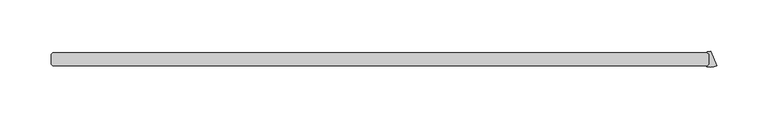
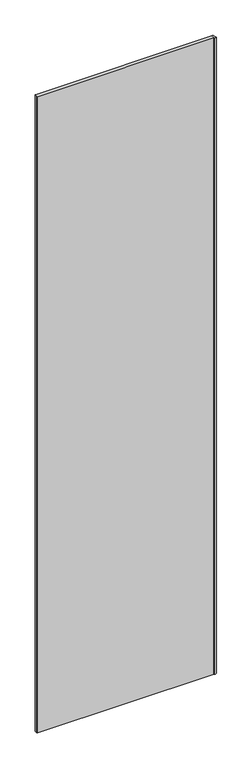
"""IFC4 building model written with IfcOpenShell, lengths in millimetres: plate geometry."""

from ifc_helpers import new_model, si_unit, point, frame_2d, origin, origin_with_axes, place, context, project, spatial, polyline, circle_curve, trimmed, segment, composite_curve, outline, extrude, source, transform, mapped, element, save


def plate_27e8cd1c(model_context):
    return source(origin(), model_context, "Body", "SweptSolid", [
        extrude(outline(composite_curve([segment(polyline([(324.8343416, -25.4), (323.1278746, -23.6935331)]), True, "CONTINUOUS"), segment(trimmed(circle_curve(frame_2d((323.4085076, -23.4129)), 0.396875), [point((323.1278746, -23.6935331))], [point((323.4004278, -23.0161073))], False, "CARTESIAN"), True, "CONTINUOUS"), segment(trimmed(circle_curve(frame_2d((323.2331067, -14.799085)), 8.2187257), [point((323.4004278, -23.0161073))], [point((326.3782769, -22.3921974))], True, "CARTESIAN"), True, "CONTINUOUS"), segment(polyline([(326.3782769, -22.3921974), (332.2252356, -36.5080045)]), True, "CONTINUOUS"), segment(trimmed(circle_curve(frame_2d((325.462995, -20.1825115)), 17.6705863), [point((332.2252356, -36.5080045))], [point((322.9799997, -37.6777781))], False, "CARTESIAN"), True, "CONTINUOUS"), segment(trimmed(circle_curve(frame_2d((323.0357669, -37.2848407)), 0.396875), [point((322.9799997, -37.6777781))], [point((322.7551339, -37.0042077))], False, "CARTESIAN"), True, "CONTINUOUS"), segment(polyline([(322.7551339, -37.0042077), (324.8343416, -34.925), (324.8343416, -25.4)]), True, "CONTINUOUS")], self_intersect=False)), origin_with_axes(), (0.0, 0.0, 1.0), 2428.7789267),
        extrude(outline(polyline([(323.2468416, -36.5125), (-315.515625, -36.5125), (-317.103125, -34.925), (-317.103125, -25.4), (-315.515625, -23.8125), (323.2468416, -23.8125), (324.8343416, -25.4), (324.8343416, -34.925), (323.2468416, -36.5125)])), origin_with_axes(), (0.0, 0.0, 1.0), 2428.7789267),
    ])


if __name__ == "__main__":
    model = new_model("IFC4")
    model_context = context("Model", 3, world=origin())
    ifc_project = project(units=[si_unit("LENGTHUNIT", "METRE", prefix="MILLI")], contexts=[model_context])
    site = spatial("IfcSite", under=ifc_project)
    building = spatial("IfcBuilding", under=site)
    placement = place(None, origin())
    plate_shape = plate_27e8cd1c(model_context)
    element("IfcPlate", 1, at=placement, inside=building, context=model_context, shape_type="MappedRepresentation", body=[
        mapped(plate_shape, transform((0.0, 0.0, 0.0), x_axis=(1.0, 0.0, 0.0), y_axis=(0.0, 1.0, 0.0), z_axis=(0.0, 0.0, 1.0))),
    ])
    save(model, "model.ifc")
